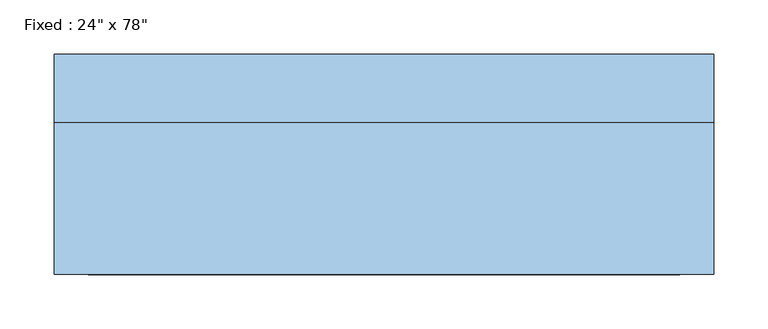
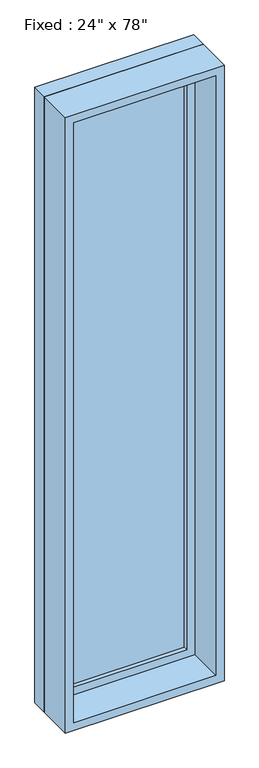
"""IFC4 building model written with IfcOpenShell, lengths in millimetres: window geometry."""

from ifc_helpers import new_model, si_unit, frame, origin, place, context, project, spatial, polyline, outline, extrude, source, transform, mapped, element, save


def window_85754298(model_context):
    return source(origin(), model_context, "Body", "SweptSolid", [
        extrude(outline(polyline([(203.2, 53.975), (-279.4, 53.975), (-279.4, 66.675), (203.2, 66.675), (203.2, 53.975)])), frame((0.0, 0.0, 673.1), z_axis=(0.0, 0.0, 1.0), x_axis=(1.0, 0.0, 0.0)), (0.0, 0.0, 1.0), 2373.0),
        extrude(outline(polyline([(3090.55, -323.85), (628.65, -323.85), (628.65, 247.65), (3090.55, 247.65), (3090.55, -323.85)]), holes=[polyline([(3046.1, -279.4), (3046.1, 203.2), (673.1, 203.2), (673.1, -279.4), (3046.1, -279.4)])]), frame((0.0, 38.1, 0.0), z_axis=(0.0, 1.0, 0.0), x_axis=(0.0, 0.0, 1.0)), (0.0, 0.0, 1.0), 44.45),
        extrude(outline(polyline([(3109.6, -342.9), (609.6, -342.9), (609.6, 266.7), (3109.6, 266.7), (3109.6, -342.9)]), holes=[polyline([(3077.85, -311.15), (3077.85, 234.95), (641.35, 234.95), (641.35, -311.15), (3077.85, -311.15)])]), frame((0.0, -101.6, 0.0), z_axis=(0.0, 1.0, 0.0), x_axis=(0.0, 0.0, 1.0)), (0.0, 0.0, 1.0), 139.7),
        extrude(outline(polyline([(3109.6, 266.7), (3109.6, -342.9), (609.6, -342.9), (609.6, 266.7), (3109.6, 266.7)]), holes=[polyline([(3090.55, 247.65), (628.65, 247.65), (628.65, -323.85), (3090.55, -323.85), (3090.55, 247.65)])]), frame((0.0, 38.1, 0.0), z_axis=(0.0, 1.0, 0.0), x_axis=(0.0, 0.0, 1.0)), (0.0, 0.0, 1.0), 63.5),
    ])


if __name__ == "__main__":
    model = new_model("IFC4")
    model_context = context("Model", 3, world=origin())
    ifc_project = project(units=[si_unit("LENGTHUNIT", "METRE", prefix="MILLI")], contexts=[model_context])
    site = spatial("IfcSite", under=ifc_project)
    building = spatial("IfcBuilding", under=site)
    placement = place(None, origin())
    window_shape = window_85754298(model_context)
    element("IfcWindow", 1, ObjectType="Fixed : 24\" x 78\"", at=placement, inside=building, context=model_context, shape_type="MappedRepresentation", body=[
        mapped(window_shape, transform((0.0, 0.0, 0.0), x_axis=(1.0, 0.0, 0.0), y_axis=(0.0, 1.0, 0.0), z_axis=(0.0, 0.0, 1.0))),
    ])
    save(model, "model.ifc")
